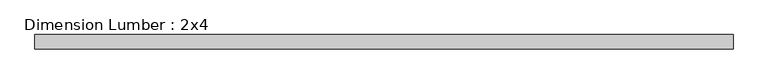
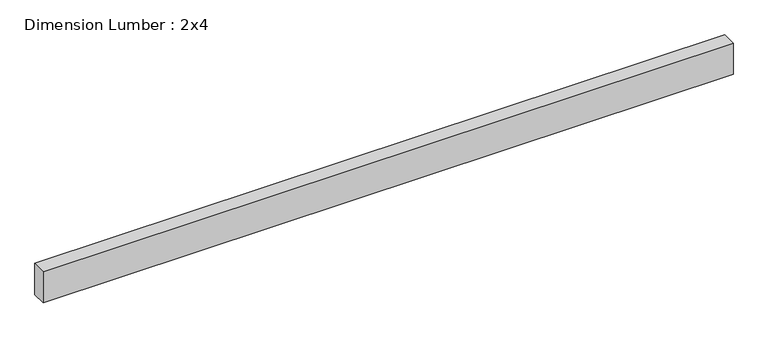
"""IFC4 building model written with IfcOpenShell, lengths in millimetres: beam geometry, Dimension Lumber : 2x4."""

import ifcopenshell
import ifcopenshell.guid

model = None  # the IFC model being written
_history = None  # IfcOwnerHistory: only IFC2X3 demands one
_inside = {}  # id of a spatial element -> (the spatial element, [elements in it])
_under = {}  # id of a project, library or spatial element -> (it, [spatial elements below it])
_declared = {}  # id of a project -> (the project, [libraries it declares])
_typed = {}  # id of a type object -> (the type object, [elements of that type])
_made_of = {}  # id of a material, layer set ... -> (it, [elements and type objects made of it])


def new_model(schema):
    """Start an empty IFC model of exactly this schema.

    Asked for "IFC4X3", IfcOpenShell would pick the latest addendum, in which some entities
    have other attributes; the version numbers below select the first issue.
    IFC2X3 requires an IfcOwnerHistory on every rooted entity: one is made here for all.
    """
    global model, _history
    if schema == "IFC4X3":
        model = ifcopenshell.file(schema_version=(4, 3, 0, 0))
    else:
        model = ifcopenshell.file(schema=schema)
    _inside.clear()
    _under.clear()
    _declared.clear()
    _typed.clear()
    _made_of.clear()
    _history = None
    if model.schema == "IFC2X3":
        org = make("IfcOrganization", Name="unknown")
        user = make(
            "IfcPersonAndOrganization",
            ThePerson=make("IfcPerson", FamilyName="unknown"),
            TheOrganization=org,
        )
        app = make(
            "IfcApplication",
            ApplicationDeveloper=org,
            Version="unknown",
            ApplicationFullName="unknown",
            ApplicationIdentifier="unknown",
        )
        _history = make(
            "IfcOwnerHistory",
            OwningUser=user,
            OwningApplication=app,
            ChangeAction="ADDED",
            CreationDate=0,
        )
    return model


def make(cls, **values):
    """One entity of the class cls with the attributes given. An attribute that is None is left unset."""
    return model.create_entity(
        cls, **{name: value for name, value in values.items() if value is not None}
    )


def rooted(cls, **values):
    """An entity with a GlobalId (a new one), such as an element, a storey or a relation."""
    return make(cls, GlobalId=ifcopenshell.guid.new(), OwnerHistory=_history, **values)


def si_unit(unit_type, name, prefix=None):
    """IfcSIUnit, for example si_unit("LENGTHUNIT", "METRE", prefix="MILLI")."""
    return make("IfcSIUnit", UnitType=unit_type, Prefix=prefix, Name=name)


def assignment(units):
    """IfcUnitAssignment: the units of a project."""
    return None if units is None else make("IfcUnitAssignment", Units=units)


def point(xyz):
    """IfcCartesianPoint."""
    return None if xyz is None else make("IfcCartesianPoint", Coordinates=xyz)


def direction(xyz):
    """IfcDirection."""
    return None if xyz is None else make("IfcDirection", DirectionRatios=xyz)


def frame(location, z_axis=None, x_axis=None):
    """IfcAxis2Placement3D, a coordinate frame: its origin and axes. An axis left out is left unset."""
    return make(
        "IfcAxis2Placement3D",
        Location=point(location),
        Axis=direction(z_axis),
        RefDirection=direction(x_axis),
    )


def origin():
    """The frame at (0, 0, 0) with its axes left unset."""
    return frame((0.0, 0.0, 0.0))


def place(relative_to, where):
    """IfcLocalPlacement: puts the frame where relative to a parent placement (None: the world)."""
    return make(
        "IfcLocalPlacement", PlacementRelTo=relative_to, RelativePlacement=where
    )


def context(
    kind, dimensions, precision=None, world=None, true_north=None, identifier=None
):
    """IfcGeometricRepresentationContext, for example the 3D "Model" context."""
    return make(
        "IfcGeometricRepresentationContext",
        ContextIdentifier=identifier,
        ContextType=kind,
        CoordinateSpaceDimension=dimensions,
        Precision=precision,
        WorldCoordinateSystem=world,
        TrueNorth=true_north,
    )


def project(units=None, contexts=None):
    """IfcProject with its units and contexts."""
    return rooted(
        "IfcProject",
        Name="project",
        RepresentationContexts=contexts,
        UnitsInContext=assignment(units),
    )


def spatial(cls, under=None, at=None, **own):
    """A site, building, storey or space (cls), placed at a placement, below another one or the project."""
    s = rooted(cls, ObjectPlacement=at, **own)
    if under is not None:
        _under.setdefault(under.id(), (under, []))[1].append(s)
    return s


def polyline(points):
    """IfcPolyline through the points."""
    return make("IfcPolyline", Points=[point(p) for p in points])


def outline(outer, holes=None, kind="AREA"):
    """IfcArbitraryClosedProfileDef: a profile drawn as a closed curve; with holes, ...WithVoids."""
    if holes is None:
        return make("IfcArbitraryClosedProfileDef", ProfileType=kind, OuterCurve=outer)
    return make(
        "IfcArbitraryProfileDefWithVoids",
        ProfileType=kind,
        OuterCurve=outer,
        InnerCurves=holes,
    )


def extrude(swept, where, along, depth):
    """IfcExtrudedAreaSolid: the profile swept, set in the frame where, extruded along a direction by depth."""
    return make(
        "IfcExtrudedAreaSolid",
        SweptArea=swept,
        Position=where,
        ExtrudedDirection=direction(along),
        Depth=depth,
    )


def shape(context_of_items, identifier, shape_type, items):
    """IfcShapeRepresentation: the items that make up one representation, for example the "Body"."""
    return make(
        "IfcShapeRepresentation",
        ContextOfItems=context_of_items,
        RepresentationIdentifier=identifier,
        RepresentationType=shape_type,
        Items=items,
    )


def source(mapping_origin, context_of_items, identifier, shape_type, items):
    """IfcRepresentationMap: a shape defined once, which mapped items show again and again."""
    return make(
        "IfcRepresentationMap",
        MappingOrigin=mapping_origin,
        MappedRepresentation=shape(context_of_items, identifier, shape_type, items),
    )


def transform(
    local_origin,
    x_axis=None,
    y_axis=None,
    z_axis=None,
    scale=None,
    scale2=None,
    scale3=None,
    uniform=True,
):
    """IfcCartesianTransformationOperator3D, or its non-uniform kind. x_axis, y_axis, z_axis: its Axis1, 2, 3."""
    if uniform:
        return make(
            "IfcCartesianTransformationOperator3D",
            Axis1=direction(x_axis),
            Axis2=direction(y_axis),
            LocalOrigin=point(local_origin),
            Scale=scale,
            Axis3=direction(z_axis),
        )
    return make(
        "IfcCartesianTransformationOperator3DnonUniform",
        Axis1=direction(x_axis),
        Axis2=direction(y_axis),
        LocalOrigin=point(local_origin),
        Scale=scale,
        Axis3=direction(z_axis),
        Scale2=scale2,
        Scale3=scale3,
    )


def mapped(mapping_source, mapping_target):
    """IfcMappedItem: shows the shape of a source again, moved by a transform."""
    return make(
        "IfcMappedItem", MappingSource=mapping_source, MappingTarget=mapping_target
    )


def made_of(thing, what):
    """Note that an element or type object is made of a material, layer set ...; save() writes the relation."""
    if what is not None:
        _made_of.setdefault(what.id(), (what, []))[1].append(thing)
    return thing


def element(
    cls,
    number,
    at=None,
    inside=None,
    cuts=None,
    type_object=None,
    material=None,
    context=None,
    identifier="Body",
    shape_type=None,
    held_by="IfcProductDefinitionShape",
    body=None,
    shapes=None,
    **own,
):
    """One element of the class cls, such as IfcWall. Its Tag is "e" and its number.

    at: its placement. inside: the storey or other place that contains it. cuts: it is an
    opening in that element (IfcRelVoidsElement). A single representation is given by context,
    identifier, shape_type and body (its items); several are given by shapes. held_by: the class
    of the entity that holds the representations. save() writes the other relations.
    """
    e = rooted(cls, Tag="e%d" % number, ObjectPlacement=at, **own)
    if body is not None:
        shapes = [shape(context, identifier, shape_type, body)]
    if shapes is not None:
        e.Representation = make(held_by, Representations=shapes)
    if inside is not None:
        _inside.setdefault(inside.id(), (inside, []))[1].append(e)
    if cuts is not None:
        rooted(
            "IfcRelVoidsElement", RelatingBuildingElement=cuts, RelatedOpeningElement=e
        )
    if type_object is not None:
        _typed.setdefault(type_object.id(), (type_object, []))[1].append(e)
    return made_of(e, material)


def aggregate(whole, parts):
    """IfcRelAggregates: a whole, such as a stair, and the parts it consists of."""
    return rooted("IfcRelAggregates", RelatingObject=whole, RelatedObjects=parts)


def save(model, path):
    """Write the relations noted so far, then the file.

    IfcRelAggregates (storeys below a building ...), IfcRelContainedInSpatialStructure (elements
    in a storey), IfcRelDefinesByType, IfcRelAssociatesMaterial and IfcRelDeclares: one each for
    every whole, place, type object, material and project.
    """
    for whole, parts in _under.values():
        aggregate(whole, parts)
    for where, things in _inside.values():
        rooted(
            "IfcRelContainedInSpatialStructure",
            RelatedElements=things,
            RelatingStructure=where,
        )
    for kind, things in _typed.values():
        rooted("IfcRelDefinesByType", RelatedObjects=things, RelatingType=kind)
    for what, things in _made_of.values():
        rooted("IfcRelAssociatesMaterial", RelatedObjects=things, RelatingMaterial=what)
    for by, libraries in _declared.values():
        rooted("IfcRelDeclares", RelatingContext=by, RelatedDefinitions=libraries)
    model.write(path)


def dimension_lumber_2x4_2e6b5c41(model_context):
    return source(origin(), model_context, "Body", "SweptSolid", [
        extrude(outline(polyline([(931.9442166, 19.05), (931.9442166, -19.05), (-916.4112295, -19.05), (-916.4112295, 19.05), (931.9442166, 19.05)])), frame((0.0, 0.0, -44.45), z_axis=(0.0, 0.0, 1.0), x_axis=(1.0, 0.0, 0.0)), (0.0, 0.0, 1.0), 88.9),
    ])


if __name__ == "__main__":
    model = new_model("IFC4")
    model_context = context("Model", 3, world=origin())
    ifc_project = project(units=[si_unit("LENGTHUNIT", "METRE", prefix="MILLI")], contexts=[model_context])
    site = spatial("IfcSite", under=ifc_project)
    building = spatial("IfcBuilding", under=site)
    placement = place(None, origin())
    dimension_lumber_2x4_shape = dimension_lumber_2x4_2e6b5c41(model_context)
    element("IfcBeam", 1, ObjectType="Dimension Lumber : 2x4", at=placement, inside=building, context=model_context, shape_type="MappedRepresentation", body=[
        mapped(dimension_lumber_2x4_shape, transform((0.0, 0.0, 0.0), x_axis=(1.0, 0.0, 0.0), y_axis=(0.0, 1.0, 0.0), z_axis=(0.0, 0.0, 1.0))),
    ])
    save(model, "model.ifc")
